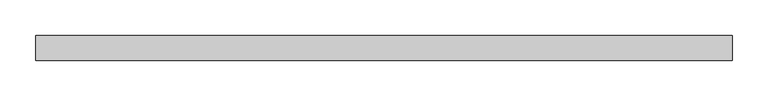
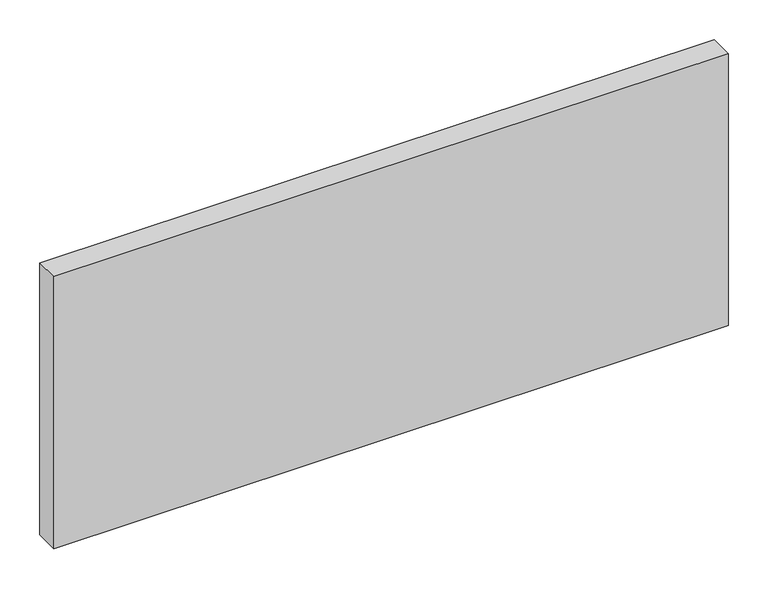
"""IFC4 building model written with IfcOpenShell, lengths in millimetres: plate geometry."""

import ifcopenshell
import ifcopenshell.guid

model = None  # the IFC model being written
_history = None  # IfcOwnerHistory: only IFC2X3 demands one
_inside = {}  # id of a spatial element -> (the spatial element, [elements in it])
_under = {}  # id of a project, library or spatial element -> (it, [spatial elements below it])
_declared = {}  # id of a project -> (the project, [libraries it declares])
_typed = {}  # id of a type object -> (the type object, [elements of that type])
_made_of = {}  # id of a material, layer set ... -> (it, [elements and type objects made of it])


def new_model(schema):
    """Start an empty IFC model of exactly this schema.

    Asked for "IFC4X3", IfcOpenShell would pick the latest addendum, in which some entities
    have other attributes; the version numbers below select the first issue.
    IFC2X3 requires an IfcOwnerHistory on every rooted entity: one is made here for all.
    """
    global model, _history
    if schema == "IFC4X3":
        model = ifcopenshell.file(schema_version=(4, 3, 0, 0))
    else:
        model = ifcopenshell.file(schema=schema)
    _inside.clear()
    _under.clear()
    _declared.clear()
    _typed.clear()
    _made_of.clear()
    _history = None
    if model.schema == "IFC2X3":
        org = make("IfcOrganization", Name="unknown")
        user = make(
            "IfcPersonAndOrganization",
            ThePerson=make("IfcPerson", FamilyName="unknown"),
            TheOrganization=org,
        )
        app = make(
            "IfcApplication",
            ApplicationDeveloper=org,
            Version="unknown",
            ApplicationFullName="unknown",
            ApplicationIdentifier="unknown",
        )
        _history = make(
            "IfcOwnerHistory",
            OwningUser=user,
            OwningApplication=app,
            ChangeAction="ADDED",
            CreationDate=0,
        )
    return model


def make(cls, **values):
    """One entity of the class cls with the attributes given. An attribute that is None is left unset."""
    return model.create_entity(
        cls, **{name: value for name, value in values.items() if value is not None}
    )


def rooted(cls, **values):
    """An entity with a GlobalId (a new one), such as an element, a storey or a relation."""
    return make(cls, GlobalId=ifcopenshell.guid.new(), OwnerHistory=_history, **values)


def si_unit(unit_type, name, prefix=None):
    """IfcSIUnit, for example si_unit("LENGTHUNIT", "METRE", prefix="MILLI")."""
    return make("IfcSIUnit", UnitType=unit_type, Prefix=prefix, Name=name)


def assignment(units):
    """IfcUnitAssignment: the units of a project."""
    return None if units is None else make("IfcUnitAssignment", Units=units)


def point(xyz):
    """IfcCartesianPoint."""
    return None if xyz is None else make("IfcCartesianPoint", Coordinates=xyz)


def direction(xyz):
    """IfcDirection."""
    return None if xyz is None else make("IfcDirection", DirectionRatios=xyz)


def frame(location, z_axis=None, x_axis=None):
    """IfcAxis2Placement3D, a coordinate frame: its origin and axes. An axis left out is left unset."""
    return make(
        "IfcAxis2Placement3D",
        Location=point(location),
        Axis=direction(z_axis),
        RefDirection=direction(x_axis),
    )


def origin():
    """The frame at (0, 0, 0) with its axes left unset."""
    return frame((0.0, 0.0, 0.0))


def origin_with_axes():
    """The frame at (0, 0, 0) with the z axis (0, 0, 1) and the x axis (1, 0, 0) written out."""
    return frame((0.0, 0.0, 0.0), z_axis=(0.0, 0.0, 1.0), x_axis=(1.0, 0.0, 0.0))


def place(relative_to, where):
    """IfcLocalPlacement: puts the frame where relative to a parent placement (None: the world)."""
    return make(
        "IfcLocalPlacement", PlacementRelTo=relative_to, RelativePlacement=where
    )


def context(
    kind, dimensions, precision=None, world=None, true_north=None, identifier=None
):
    """IfcGeometricRepresentationContext, for example the 3D "Model" context."""
    return make(
        "IfcGeometricRepresentationContext",
        ContextIdentifier=identifier,
        ContextType=kind,
        CoordinateSpaceDimension=dimensions,
        Precision=precision,
        WorldCoordinateSystem=world,
        TrueNorth=true_north,
    )


def project(units=None, contexts=None):
    """IfcProject with its units and contexts."""
    return rooted(
        "IfcProject",
        Name="project",
        RepresentationContexts=contexts,
        UnitsInContext=assignment(units),
    )


def spatial(cls, under=None, at=None, **own):
    """A site, building, storey or space (cls), placed at a placement, below another one or the project."""
    s = rooted(cls, ObjectPlacement=at, **own)
    if under is not None:
        _under.setdefault(under.id(), (under, []))[1].append(s)
    return s


def polyline(points):
    """IfcPolyline through the points."""
    return make("IfcPolyline", Points=[point(p) for p in points])


def outline(outer, holes=None, kind="AREA"):
    """IfcArbitraryClosedProfileDef: a profile drawn as a closed curve; with holes, ...WithVoids."""
    if holes is None:
        return make("IfcArbitraryClosedProfileDef", ProfileType=kind, OuterCurve=outer)
    return make(
        "IfcArbitraryProfileDefWithVoids",
        ProfileType=kind,
        OuterCurve=outer,
        InnerCurves=holes,
    )


def extrude(swept, where, along, depth):
    """IfcExtrudedAreaSolid: the profile swept, set in the frame where, extruded along a direction by depth."""
    return make(
        "IfcExtrudedAreaSolid",
        SweptArea=swept,
        Position=where,
        ExtrudedDirection=direction(along),
        Depth=depth,
    )


def shape(context_of_items, identifier, shape_type, items):
    """IfcShapeRepresentation: the items that make up one representation, for example the "Body"."""
    return make(
        "IfcShapeRepresentation",
        ContextOfItems=context_of_items,
        RepresentationIdentifier=identifier,
        RepresentationType=shape_type,
        Items=items,
    )


def source(mapping_origin, context_of_items, identifier, shape_type, items):
    """IfcRepresentationMap: a shape defined once, which mapped items show again and again."""
    return make(
        "IfcRepresentationMap",
        MappingOrigin=mapping_origin,
        MappedRepresentation=shape(context_of_items, identifier, shape_type, items),
    )


def transform(
    local_origin,
    x_axis=None,
    y_axis=None,
    z_axis=None,
    scale=None,
    scale2=None,
    scale3=None,
    uniform=True,
):
    """IfcCartesianTransformationOperator3D, or its non-uniform kind. x_axis, y_axis, z_axis: its Axis1, 2, 3."""
    if uniform:
        return make(
            "IfcCartesianTransformationOperator3D",
            Axis1=direction(x_axis),
            Axis2=direction(y_axis),
            LocalOrigin=point(local_origin),
            Scale=scale,
            Axis3=direction(z_axis),
        )
    return make(
        "IfcCartesianTransformationOperator3DnonUniform",
        Axis1=direction(x_axis),
        Axis2=direction(y_axis),
        LocalOrigin=point(local_origin),
        Scale=scale,
        Axis3=direction(z_axis),
        Scale2=scale2,
        Scale3=scale3,
    )


def mapped(mapping_source, mapping_target):
    """IfcMappedItem: shows the shape of a source again, moved by a transform."""
    return make(
        "IfcMappedItem", MappingSource=mapping_source, MappingTarget=mapping_target
    )


def made_of(thing, what):
    """Note that an element or type object is made of a material, layer set ...; save() writes the relation."""
    if what is not None:
        _made_of.setdefault(what.id(), (what, []))[1].append(thing)
    return thing


def element(
    cls,
    number,
    at=None,
    inside=None,
    cuts=None,
    type_object=None,
    material=None,
    context=None,
    identifier="Body",
    shape_type=None,
    held_by="IfcProductDefinitionShape",
    body=None,
    shapes=None,
    **own,
):
    """One element of the class cls, such as IfcWall. Its Tag is "e" and its number.

    at: its placement. inside: the storey or other place that contains it. cuts: it is an
    opening in that element (IfcRelVoidsElement). A single representation is given by context,
    identifier, shape_type and body (its items); several are given by shapes. held_by: the class
    of the entity that holds the representations. save() writes the other relations.
    """
    e = rooted(cls, Tag="e%d" % number, ObjectPlacement=at, **own)
    if body is not None:
        shapes = [shape(context, identifier, shape_type, body)]
    if shapes is not None:
        e.Representation = make(held_by, Representations=shapes)
    if inside is not None:
        _inside.setdefault(inside.id(), (inside, []))[1].append(e)
    if cuts is not None:
        rooted(
            "IfcRelVoidsElement", RelatingBuildingElement=cuts, RelatedOpeningElement=e
        )
    if type_object is not None:
        _typed.setdefault(type_object.id(), (type_object, []))[1].append(e)
    return made_of(e, material)


def aggregate(whole, parts):
    """IfcRelAggregates: a whole, such as a stair, and the parts it consists of."""
    return rooted("IfcRelAggregates", RelatingObject=whole, RelatedObjects=parts)


def save(model, path):
    """Write the relations noted so far, then the file.

    IfcRelAggregates (storeys below a building ...), IfcRelContainedInSpatialStructure (elements
    in a storey), IfcRelDefinesByType, IfcRelAssociatesMaterial and IfcRelDeclares: one each for
    every whole, place, type object, material and project.
    """
    for whole, parts in _under.values():
        aggregate(whole, parts)
    for where, things in _inside.values():
        rooted(
            "IfcRelContainedInSpatialStructure",
            RelatedElements=things,
            RelatingStructure=where,
        )
    for kind, things in _typed.values():
        rooted("IfcRelDefinesByType", RelatedObjects=things, RelatingType=kind)
    for what, things in _made_of.values():
        rooted("IfcRelAssociatesMaterial", RelatedObjects=things, RelatingMaterial=what)
    for by, libraries in _declared.values():
        rooted("IfcRelDeclares", RelatingContext=by, RelatedDefinitions=libraries)
    model.write(path)


def plate_40b200bf(model_context):
    return source(origin(), model_context, "Body", "SweptSolid", [
        extrude(outline(polyline([(489.1696429, -17.5), (-489.1696429, -17.5), (-489.1696429, 17.5), (489.1696429, 17.5), (489.1696429, -17.5)])), origin_with_axes(), (0.0, 0.0, 1.0), 417.625),
    ])


if __name__ == "__main__":
    model = new_model("IFC4")
    model_context = context("Model", 3, world=origin())
    ifc_project = project(units=[si_unit("LENGTHUNIT", "METRE", prefix="MILLI")], contexts=[model_context])
    site = spatial("IfcSite", under=ifc_project)
    building = spatial("IfcBuilding", under=site)
    placement = place(None, origin())
    plate_shape = plate_40b200bf(model_context)
    element("IfcPlate", 1, at=placement, inside=building, context=model_context, shape_type="MappedRepresentation", body=[
        mapped(plate_shape, transform((0.0, 0.0, 0.0), x_axis=(1.0, 0.0, 0.0), y_axis=(0.0, 1.0, 0.0), z_axis=(0.0, 0.0, 1.0))),
    ])
    save(model, "model.ifc")
